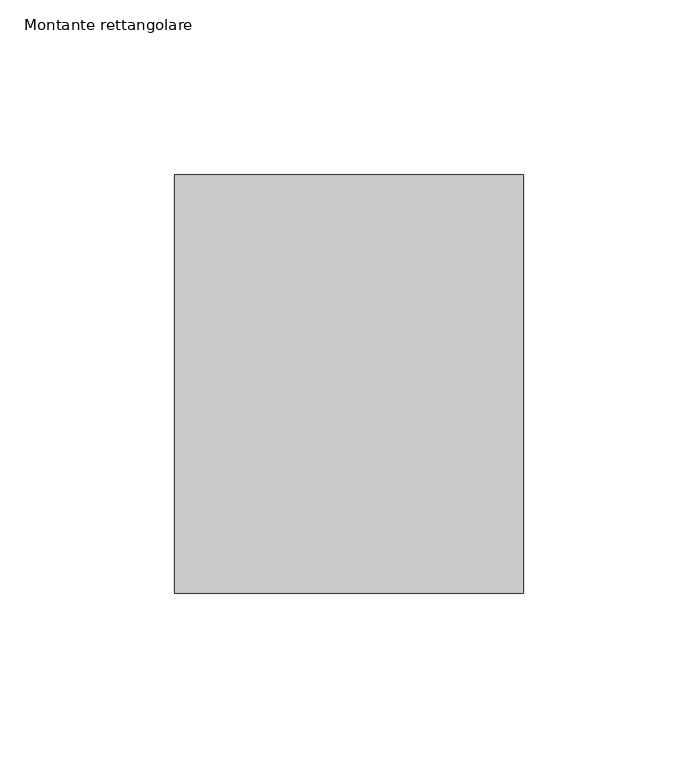
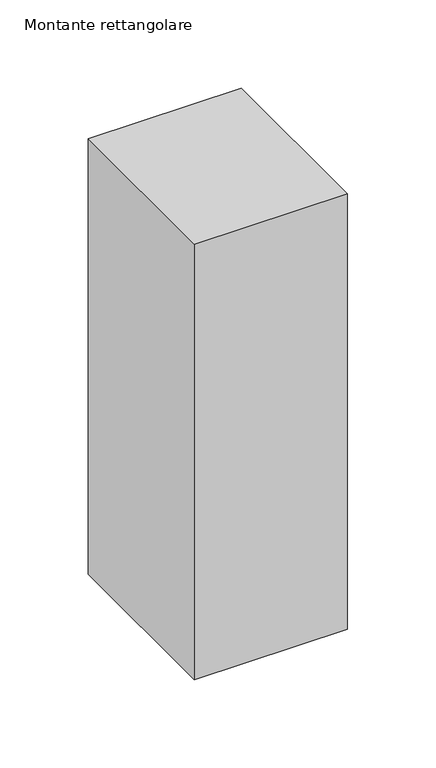
"""IFC4 building model written with IfcOpenShell, lengths in millimetres: member geometry, Montante rettangolare."""

from ifc_helpers import new_model, si_unit, frame, origin, place, context, project, spatial, polyline, outline, extrude, source, transform, mapped, element, save


def montante_rettangolare_f0add8b2(model_context):
    return source(origin(), model_context, "Body", "SweptSolid", [
        extrude(outline(polyline([(50.0, 60.0), (50.0, -60.0), (-50.0, -60.0), (-50.0, 60.0), (50.0, 60.0)])), frame((0.0, 0.0, -300.9182339), z_axis=(0.0, 0.0, 1.0), x_axis=(1.0, 0.0, 0.0)), (0.0, 0.0, 1.0), 300.9182339),
    ])


if __name__ == "__main__":
    model = new_model("IFC4")
    model_context = context("Model", 3, world=origin())
    ifc_project = project(units=[si_unit("LENGTHUNIT", "METRE", prefix="MILLI")], contexts=[model_context])
    site = spatial("IfcSite", under=ifc_project)
    building = spatial("IfcBuilding", under=site)
    placement = place(None, origin())
    montante_rettangolare_shape = montante_rettangolare_f0add8b2(model_context)
    element("IfcMember", 1, ObjectType="Montante rettangolare", at=placement, inside=building, context=model_context, shape_type="MappedRepresentation", body=[
        mapped(montante_rettangolare_shape, transform((0.0, 0.0, 0.0), x_axis=(1.0, 0.0, 0.0), y_axis=(0.0, 1.0, 0.0), z_axis=(0.0, 0.0, 1.0))),
    ])
    save(model, "model.ifc")
